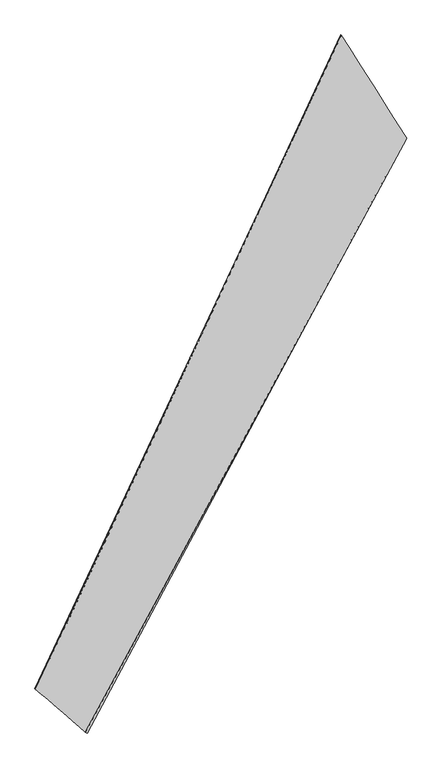
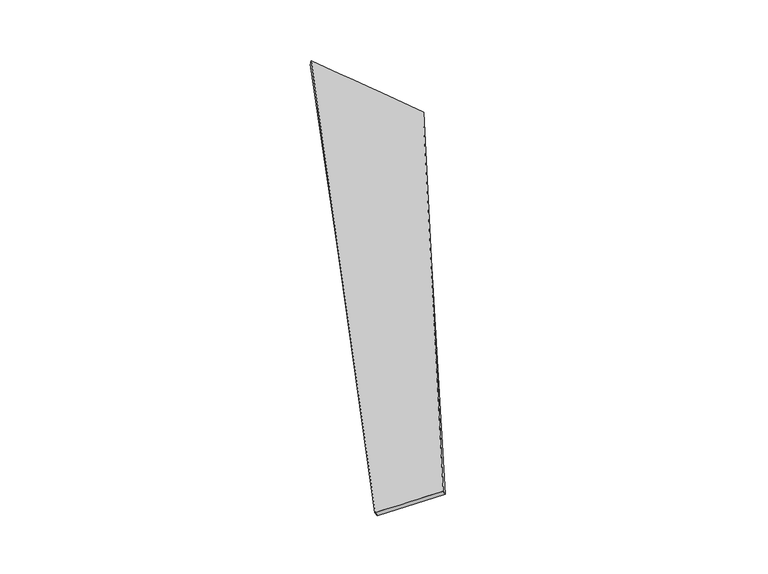
"""IFC4 building model written with IfcOpenShell, lengths in millimetres: proxy geometry."""

from ifc_helpers import new_model, si_unit, origin, place, context, project, spatial, source, transform, mapped, element, save
from ifc_brep_helpers import spline_surface, advanced_brep


def generic_models_921651b1(model_context):
    return source(origin(), model_context, "Body", "AdvancedBrep", [
        advanced_brep(
        [(-843.5723318, -2137.0499072, 120.5497846), (-832.1815604, -2144.4761001, 93.8083937), (1391.7292904, 2008.142377, -104.6419764), (1397.8002429, 2006.2442128, -75.3240551), (-1183.1335222, -1839.0277151, -143.0333366), (937.7451545, 2727.989175, 42.0102089), (-1196.5284336, -1833.8299414, -116.6978188), (942.3005226, 2724.6356359, 71.4720893)],
        [
            (0, 1),
            (1, 2),
            (2, 3),
            (3, 0),
            (1, 4),
            (4, 5),
            (5, 2),
            (4, 6),
            (6, 7),
            (7, 5),
            (6, 0),
            (3, 7),
        ],
        [
            spline_surface(1, 1, [[(-843.5723318, -2137.0499072, 120.5497846), (1397.8002429, 2006.2442128, -75.3240551)], [(-832.1815604, -2144.4761001, 93.8083937), (1391.7292904, 2008.142377, -104.6419764)]], [2, 2], [2, 2], [0.0, 1.0], [0.0, 1.0]),
            spline_surface(1, 1, [[(-832.1815604, -2144.4761001, 93.8083937), (1391.7292904, 2008.142377, -104.6419764)], [(-1183.1335222, -1839.0277151, -143.0333366), (937.7451545, 2727.989175, 42.0102089)]], [2, 2], [2, 2], [0.0, 1.0], [0.0, 1.0]),
            spline_surface(1, 1, [[(-1183.1335222, -1839.0277151, -143.0333366), (937.7451545, 2727.989175, 42.0102089)], [(-1196.5284336, -1833.8299414, -116.6978188), (942.3005226, 2724.6356359, 71.4720893)]], [2, 2], [2, 2], [0.0, 1.0], [0.0, 1.0]),
            spline_surface(1, 1, [[(-1196.5284336, -1833.8299414, -116.6978188), (942.3005226, 2724.6356359, 71.4720893)], [(-843.5723318, -2137.0499072, 120.5497846), (1397.8002429, 2006.2442128, -75.3240551)]], [2, 2], [2, 2], [0.0, 1.0], [0.0, 1.0]),
            spline_surface(1, 1, [[(1391.7292904, 2008.142377, -104.6419764), (1397.8002429, 2006.2442128, -75.3240551)], [(937.7451545, 2727.989175, 42.0102089), (942.3005226, 2724.6356359, 71.4720893)]], [2, 2], [2, 2], [0.0, 1.0], [0.0, 1.0]),
            spline_surface(1, 1, [[(-1196.5284336, -1833.8299414, -116.6978188), (-843.5723318, -2137.0499072, 120.5497846)], [(-1183.1335222, -1839.0277151, -143.0333366), (-832.1815604, -2144.4761001, 93.8083937)]], [2, 2], [2, 2], [0.0, 1.0], [0.0, 1.0]),
        ],
        [
            (0, [[1, 2, 3, 4]]),
            (1, [[5, 6, 7, -2]]),
            (2, [[8, 9, 10, -6]]),
            (3, [[11, -4, 12, -9]]),
            (4, [[-3, -7, -10, -12]]),
            (5, [[-11, -8, -5, -1]]),
        ],
    ),
    ])


if __name__ == "__main__":
    model = new_model("IFC4")
    model_context = context("Model", 3, world=origin())
    ifc_project = project(units=[si_unit("LENGTHUNIT", "METRE", prefix="MILLI")], contexts=[model_context])
    site = spatial("IfcSite", under=ifc_project)
    building = spatial("IfcBuilding", under=site)
    placement = place(None, origin())
    generic_models_shape = generic_models_921651b1(model_context)
    element("IfcBuildingElementProxy", 1, Name="Generic Models", at=placement, inside=building, context=model_context, shape_type="MappedRepresentation", body=[
        mapped(generic_models_shape, transform((0.0, 0.0, 0.0), x_axis=(1.0, 0.0, 0.0), y_axis=(0.0, 1.0, 0.0), z_axis=(0.0, 0.0, 1.0))),
    ])
    save(model, "model.ifc")
